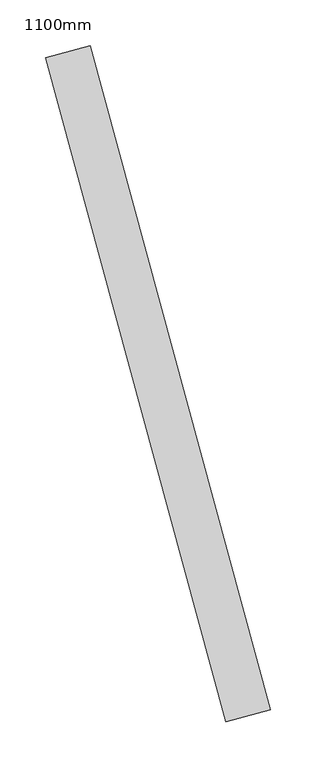
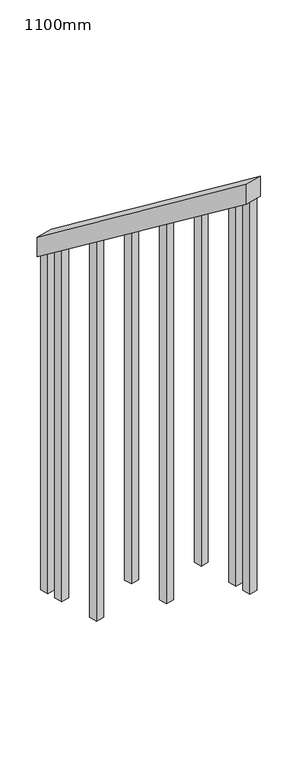
"""IFC4 building model written with IfcOpenShell, lengths in millimetres: railing geometry, 1100mm."""

from ifc_helpers import new_model, si_unit, frame, origin, place, context, project, spatial, polyline, outline, extrude, source, transform, mapped, element, save


def railing_1100mm_fb875a0b(model_context):
    return source(origin(), model_context, "Body", "SweptSolid", [
        extrude(outline(polyline([(35.5555555, -50.0), (0.0, 0.0), (920.2958461, 0.0), (955.8514017, -50.0), (35.5555555, -50.0)])), frame((178922.8984871, 37594.6904167, 1216.4247214), z_axis=(0.9649894123601861, 0.26228883703418043, 0.0), x_axis=(0.2137536843159518, -0.7864232597554076, 0.5795237863600038)), (0.0, 0.0, 1.0), 50.0),
        extrude(outline(polyline([(108.8888889, 0.0), (1271.980277, 0.0), (1271.980277, -25.0), (91.1111112, -25.0), (108.8888889, 0.0)])), frame((179112.0058197, 36946.6011738, 1805.3136103), z_axis=(0.9649894123601861, 0.26228883703418043, 0.0), x_axis=(0.0, 0.0, -1.0)), (0.0, 0.0, 1.0), 25.0),
        extrude(outline(polyline([(108.8888889, 0.0), (1183.0913881, 0.0), (1183.0913881, -25.0), (91.1111111, -25.0), (108.8888889, 0.0)])), frame((179079.2197151, 37067.2248503, 1716.4247214), z_axis=(0.9649894123601861, 0.26228883703418043, 0.0), x_axis=(0.0, 0.0, -1.0)), (0.0, 0.0, 1.0), 25.0),
        extrude(outline(polyline([(108.8888889, 0.0), (1271.9802769, 0.0), (1271.9802769, -25.0), (91.1111111, -25.0), (108.8888889, 0.0)])), frame((179046.4336105, 37187.8485269, 1627.5358325), z_axis=(0.9649894123601861, 0.26228883703418043, 0.0), x_axis=(0.0, 0.0, -1.0)), (0.0, 0.0, 1.0), 25.0),
        extrude(outline(polyline([(108.8888889, 0.0), (1183.091388, 0.0), (1183.091388, -25.0), (91.1111111, -25.0), (108.8888889, 0.0)])), frame((179013.6475058, 37308.4722034, 1538.6469436), z_axis=(0.9649894123601861, 0.26228883703418043, 0.0), x_axis=(0.0, 0.0, -1.0)), (0.0, 0.0, 1.0), 25.0),
        extrude(outline(polyline([(108.8888889, 0.0), (1271.9802769, 0.0), (1271.9802769, -25.0), (91.1111111, -25.0), (108.8888889, 0.0)])), frame((178980.8614012, 37429.09588, 1449.7580547), z_axis=(0.9649894123601861, 0.26228883703418043, 0.0), x_axis=(0.0, 0.0, -1.0)), (0.0, 0.0, 1.0), 25.0),
        extrude(outline(polyline([(108.8888889, 0.0), (1183.091388, 0.0), (1183.091388, -25.0), (91.1111111, -25.0), (108.8888889, 0.0)])), frame((178948.0752966, 37549.7195565, 1360.8691658), z_axis=(0.9649894123601861, 0.26228883703418043, 0.0), x_axis=(0.0, 0.0, -1.0)), (0.0, 0.0, 1.0), 25.0),
        extrude(outline(polyline([(108.8888889, 0.0), (1307.5358325, 0.0), (1307.5358325, -25.0), (91.1111111, -25.0), (108.8888889, 0.0)])), frame((179125.1202616, 36898.3517032, 1840.8691658), z_axis=(0.9649894123601861, 0.26228883703418043, 0.0), x_axis=(0.0, 0.0, -1.0)), (0.0, 0.0, 1.0), 25.0),
        extrude(outline(polyline([(108.8888889, 0.0), (1147.5358325, 0.0), (1147.5358325, -25.0), (91.1111112, -25.0), (108.8888889, 0.0)])), frame((178934.9608547, 37597.9690271, 1325.3136103), z_axis=(0.9649894123601861, 0.26228883703418043, 0.0), x_axis=(0.0, 0.0, -1.0)), (0.0, 0.0, 1.0), 25.0),
    ])


if __name__ == "__main__":
    model = new_model("IFC4")
    model_context = context("Model", 3, world=origin())
    ifc_project = project(units=[si_unit("LENGTHUNIT", "METRE", prefix="MILLI")], contexts=[model_context])
    site = spatial("IfcSite", under=ifc_project)
    building = spatial("IfcBuilding", under=site)
    placement = place(None, origin())
    railing_1100mm_shape = railing_1100mm_fb875a0b(model_context)
    element("IfcRailing", 1, ObjectType="1100mm", at=placement, inside=building, context=model_context, shape_type="MappedRepresentation", body=[
        mapped(railing_1100mm_shape, transform((0.0, 0.0, 0.0), x_axis=(1.0, 0.0, 0.0), y_axis=(0.0, 1.0, 0.0), z_axis=(0.0, 0.0, 1.0))),
    ])
    save(model, "model.ifc")
